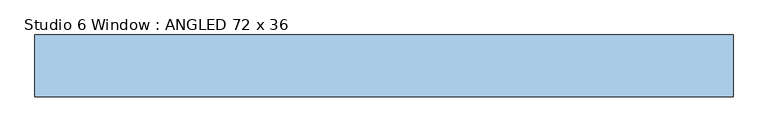
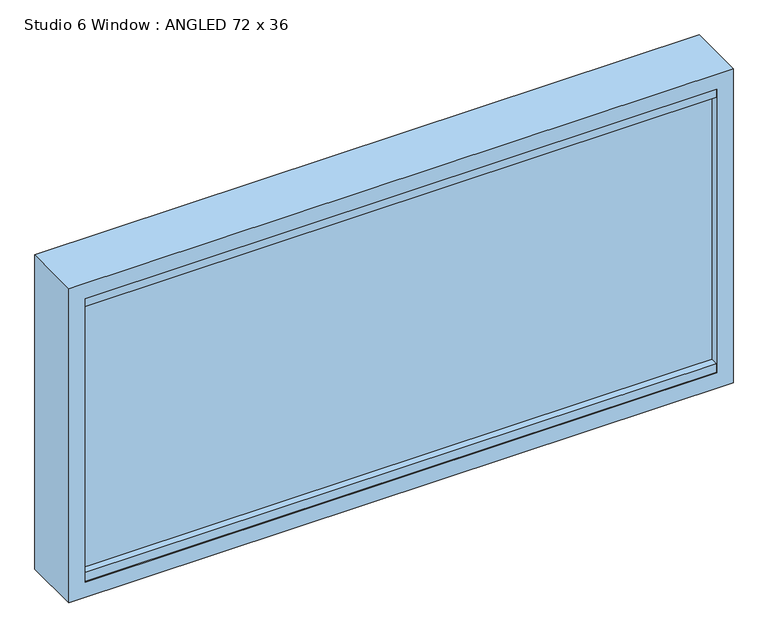
"""IFC4 building model written with IfcOpenShell, lengths in millimetres: window geometry, Studio 6 Window : ANGLED 72 x 36."""

from ifc_helpers import new_model, si_unit, frame, origin, place, context, project, spatial, polyline, outline, extrude, source, transform, mapped, element, save


def studio_6_window_angled_72_x_36_aa298ab4(model_context):
    return source(origin(), model_context, "Body", "SweptSolid", [
        extrude(outline(polyline([(1714.4, -914.4), (800.0, -914.4), (800.0, 914.4), (1714.4, 914.4), (1714.4, -914.4)]), holes=[polyline([(1669.95, -869.95), (1669.95, 869.95), (844.45, 869.95), (844.45, -869.95), (1669.95, -869.95)])]), frame((0.0, -60.325, 0.0), z_axis=(0.0, 1.0, 0.0), x_axis=(0.0, 0.0, 1.0)), (0.0, 0.0, 1.0), 161.925),
        extrude(outline(polyline([(869.95, -57.8905282), (-869.95, -57.8905282), (-869.95, 98.0603957), (869.95, 98.0603957), (869.95, -57.8905282)])), frame((0.0, 0.0, 1644.55), z_axis=(0.0, 0.0, 1.0), x_axis=(1.0, 0.0, 0.0)), (0.0, 0.0, 1.0), 25.4),
        extrude(outline(polyline([(869.95, -57.8905282), (-869.95, -57.8905282), (-869.95, 99.1655282), (869.95, 99.1655282), (869.95, -57.8905282)])), frame((0.0, 0.0, 844.45), z_axis=(0.0, 0.0, 1.0), x_axis=(1.0, 0.0, 0.0)), (0.0, 0.0, 1.0), 25.4),
        extrude(outline(polyline([(869.95, -37.0108841), (-869.95, -37.0108841), (-869.95, -28.6152456), (869.95, -28.6152456), (869.95, -37.0108841)])), frame((0.0, 0.0, 863.5), z_axis=(0.0, 0.0, 1.0), x_axis=(1.0, 0.0, 0.0)), (0.0, 0.0, 1.0), 787.428847),
        extrude(outline(polyline([(869.95, 68.346277), (-869.95, 68.346277), (-869.95, 91.2720048), (869.95, 91.2720048), (869.95, 68.346277)])), frame((0.0, 0.0, 863.5), z_axis=(0.0, 0.0, 1.0), x_axis=(1.0, 0.0, 0.0)), (0.0, 0.0, 1.0), 787.428847),
    ])


if __name__ == "__main__":
    model = new_model("IFC4")
    model_context = context("Model", 3, world=origin())
    ifc_project = project(units=[si_unit("LENGTHUNIT", "METRE", prefix="MILLI")], contexts=[model_context])
    site = spatial("IfcSite", under=ifc_project)
    building = spatial("IfcBuilding", under=site)
    placement = place(None, origin())
    studio_6_window_angled_72_x_36_shape = studio_6_window_angled_72_x_36_aa298ab4(model_context)
    element("IfcWindow", 1, ObjectType="Studio 6 Window : ANGLED 72 x 36", at=placement, inside=building, context=model_context, shape_type="MappedRepresentation", body=[
        mapped(studio_6_window_angled_72_x_36_shape, transform((0.0, 0.0, 0.0), x_axis=(1.0, 0.0, 0.0), y_axis=(0.0, 1.0, 0.0), z_axis=(0.0, 0.0, 1.0))),
    ])
    save(model, "model.ifc")
